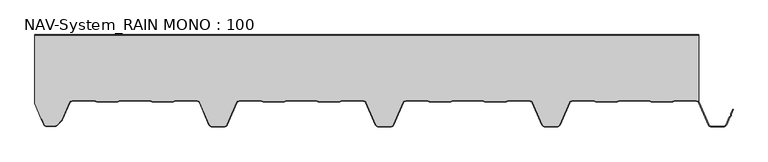
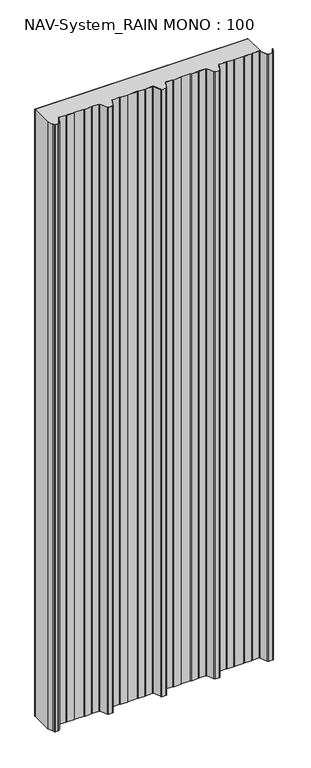
"""IFC4 building model written with IfcOpenShell, lengths in millimetres: plate geometry, NAV-System_RAIN MONO : 100."""

from ifc_helpers import new_model, si_unit, point, frame_2d, origin, origin_with_axes, place, context, project, spatial, polyline, circle_curve, trimmed, segment, composite_curve, outline, extrude, source, transform, mapped, element, save


def nav_system_rain_mono_100_1b4fae18(model_context):
    return source(origin(), model_context, "Body", "SweptSolid", [
        extrude(outline(polyline([(519.0, -0.8), (-478.0, -0.8), (-478.0, 0.0), (519.0, 0.0), (519.0, -0.8)])), origin_with_axes(), (0.0, 0.0, 1.0), 3000.0),
        extrude(outline(composite_curve([segment(trimmed(circle_curve(frame_2d((515.5898022, -104.0)), 4.8), [point((519.0, -100.6220493))], [point((515.5898022, -99.2))], True, "CARTESIAN"), True, "CONTINUOUS"), segment(polyline([(515.5898022, -99.2), (483.6922468, -99.2), (479.6508228, -100.7), (448.0723788, -100.6741102), (444.1768702, -99.2), (400.3589135, -99.2), (396.3174895, -100.7), (364.7390455, -100.6741102), (360.8435369, -99.2), (328.9416341, -99.2)]), True, "CONTINUOUS"), segment(trimmed(circle_curve(frame_2d((328.9416341, -104.0)), 4.8), [point((328.9416341, -99.2))], [point((324.5314363, -102.1052295))], True, "CARTESIAN"), True, "CONTINUOUS"), segment(polyline([(324.5314363, -102.1052295), (310.330878, -135.1579242)]), True, "CONTINUOUS"), segment(trimmed(circle_curve(frame_2d((306.4719549, -133.5)), 4.2), [point((310.330878, -135.1579242))], [point((306.4719549, -137.7))], False, "CARTESIAN"), True, "CONTINUOUS"), segment(polyline([(306.4719549, -137.7), (288.0594814, -137.7)]), True, "CONTINUOUS"), segment(trimmed(circle_curve(frame_2d((288.0594814, -133.5)), 4.2), [point((288.0594814, -137.7))], [point((284.2005583, -135.1579242))], False, "CARTESIAN"), True, "CONTINUOUS"), segment(polyline([(284.2005583, -135.1579242), (270.0, -102.1052295)]), True, "CONTINUOUS"), segment(trimmed(circle_curve(frame_2d((265.5898022, -104.0)), 4.8), [point((270.0, -102.1052295))], [point((265.5898022, -99.2))], True, "CARTESIAN"), True, "CONTINUOUS"), segment(polyline([(265.5898022, -99.2), (233.6922468, -99.2), (229.6508228, -100.7), (198.0723788, -100.6741102), (194.1768702, -99.2), (150.3589135, -99.2), (146.3174895, -100.7), (114.8074622, -100.7), (110.8435369, -99.2), (78.9416341, -99.2)]), True, "CONTINUOUS"), segment(trimmed(circle_curve(frame_2d((78.9416341, -104.0)), 4.8), [point((78.9416341, -99.2))], [point((74.5314363, -102.1052295))], True, "CARTESIAN"), True, "CONTINUOUS"), segment(polyline([(74.5314363, -102.1052295), (60.330878, -135.1579242)]), True, "CONTINUOUS"), segment(trimmed(circle_curve(frame_2d((56.4719549, -133.5)), 4.2), [point((60.330878, -135.1579242))], [point((56.4719549, -137.7))], False, "CARTESIAN"), True, "CONTINUOUS"), segment(polyline([(56.4719549, -137.7), (38.0594814, -137.7)]), True, "CONTINUOUS"), segment(trimmed(circle_curve(frame_2d((38.0594814, -133.5)), 4.2), [point((38.0594814, -137.7))], [point((34.2005583, -135.1579242))], False, "CARTESIAN"), True, "CONTINUOUS"), segment(polyline([(34.2005583, -135.1579242), (20.0, -102.1052295)]), True, "CONTINUOUS"), segment(trimmed(circle_curve(frame_2d((15.5898022, -104.0)), 4.8), [point((20.0, -102.1052295))], [point((15.5898022, -99.2))], True, "CARTESIAN"), True, "CONTINUOUS"), segment(polyline([(15.5898022, -99.2), (-16.3077532, -99.2), (-20.3491772, -100.7), (-51.9276212, -100.6741102), (-55.8231298, -99.2), (-99.6410865, -99.2), (-103.6825105, -100.7), (-135.1925378, -100.7), (-139.1564631, -99.2), (-171.0583659, -99.2)]), True, "CONTINUOUS"), segment(trimmed(circle_curve(frame_2d((-171.0583659, -104.0)), 4.8), [point((-171.0583659, -99.2))], [point((-175.4685637, -102.1052295))], True, "CARTESIAN"), True, "CONTINUOUS"), segment(polyline([(-175.4685637, -102.1052295), (-189.669122, -135.1579242)]), True, "CONTINUOUS"), segment(trimmed(circle_curve(frame_2d((-193.5280451, -133.5)), 4.2), [point((-189.669122, -135.1579242))], [point((-193.5280451, -137.7))], False, "CARTESIAN"), True, "CONTINUOUS"), segment(polyline([(-193.5280451, -137.7), (-211.9405186, -137.7)]), True, "CONTINUOUS"), segment(trimmed(circle_curve(frame_2d((-211.9405186, -133.5)), 4.2), [point((-211.9405186, -137.7))], [point((-215.7994417, -135.1579242))], False, "CARTESIAN"), True, "CONTINUOUS"), segment(polyline([(-215.7994417, -135.1579242), (-230.0, -102.1052295)]), True, "CONTINUOUS"), segment(trimmed(circle_curve(frame_2d((-234.4101978, -104.0)), 4.8), [point((-230.0, -102.1052295))], [point((-234.4101978, -99.2))], True, "CARTESIAN"), True, "CONTINUOUS"), segment(polyline([(-234.4101978, -99.2), (-266.3077532, -99.2), (-270.3491772, -100.7), (-301.9276212, -100.6741102), (-305.8231298, -99.2), (-349.6410865, -99.2), (-353.6825105, -100.7), (-385.1925378, -100.7), (-389.1564631, -99.2), (-421.9290751, -99.2)]), True, "CONTINUOUS"), segment(trimmed(circle_curve(frame_2d((-421.9290751, -104.0)), 4.8), [point((-421.9290751, -99.2))], [point((-426.3392729, -102.1052295))], True, "CARTESIAN"), True, "CONTINUOUS"), segment(polyline([(-426.3392729, -102.1052295), (-437.4245651, -127.9069459)]), True, "CONTINUOUS"), segment(trimmed(circle_curve(frame_2d((-441.2834882, -126.2490217)), 4.2), [point((-437.4245651, -127.9069459))], [point((-438.3136397, -129.2188701))], False, "CARTESIAN"), True, "CONTINUOUS"), segment(polyline([(-438.3136397, -129.2188701), (-444.764618, -135.6698485)]), True, "CONTINUOUS"), segment(trimmed(circle_curve(frame_2d((-447.7344665, -132.7)), 4.2), [point((-444.764618, -135.6698485))], [point((-447.7344665, -136.9))], False, "CARTESIAN"), True, "CONTINUOUS"), segment(polyline([(-447.7344665, -136.9), (-461.1405186, -136.9)]), True, "CONTINUOUS"), segment(trimmed(circle_curve(frame_2d((-461.1405186, -133.7)), 3.2), [point((-461.1405186, -136.9))], [point((-464.1022482, -134.9116756))], False, "CARTESIAN"), True, "CONTINUOUS"), segment(polyline([(-464.1022482, -134.9116756), (-467.6292254, -126.2905951), (-468.3696578, -126.593514), (-478.0, -103.053822), (-478.0, -0.8), (519.0, -0.8), (519.0, -100.6220493)]), True, "CONTINUOUS")], self_intersect=False)), origin_with_axes(), (0.0, 0.0, 1.0), 3000.0),
        extrude(outline(composite_curve([segment(polyline([(-464.8430228, -135.2145945), (-468.37, -126.593514), (-467.6295676, -126.2905951), (-464.1025904, -134.9116756)]), True, "CONTINUOUS"), segment(trimmed(circle_curve(frame_2d((-461.1408608, -133.7)), 3.2), [point((-464.1025904, -134.9116756))], [point((-461.1408608, -136.9))], True, "CARTESIAN"), True, "CONTINUOUS"), segment(polyline([(-461.1408608, -136.9), (-447.7348087, -136.9)]), True, "CONTINUOUS"), segment(trimmed(circle_curve(frame_2d((-447.7348087, -132.7)), 4.2), [point((-447.7348087, -136.9))], [point((-444.7649603, -135.6698485))], True, "CARTESIAN"), True, "CONTINUOUS"), segment(polyline([(-444.7649603, -135.6698485), (-438.3139819, -129.2188701)]), True, "CONTINUOUS"), segment(trimmed(circle_curve(frame_2d((-441.2838304, -126.2490217)), 4.2), [point((-438.3139819, -129.2188701))], [point((-437.4249073, -127.9069459))], True, "CARTESIAN"), True, "CONTINUOUS"), segment(polyline([(-437.4249073, -127.9069459), (-426.3396151, -102.1052295)]), True, "CONTINUOUS"), segment(trimmed(circle_curve(frame_2d((-421.9294173, -104.0)), 4.8), [point((-426.3396151, -102.1052295))], [point((-421.9294173, -99.2))], False, "CARTESIAN"), True, "CONTINUOUS"), segment(polyline([(-421.9294173, -99.2), (-389.1568054, -99.2), (-385.19288, -100.7), (-353.6828527, -100.7), (-349.6414287, -99.2), (-305.8234721, -99.2), (-301.9279634, -100.6741102), (-270.3495194, -100.7), (-266.3080954, -99.2), (-234.41054, -99.2)]), True, "CONTINUOUS"), segment(trimmed(circle_curve(frame_2d((-234.41054, -104.0)), 4.8), [point((-234.41054, -99.2))], [point((-230.0003422, -102.1052295))], False, "CARTESIAN"), True, "CONTINUOUS"), segment(polyline([(-230.0003422, -102.1052295), (-215.7997839, -135.1579242)]), True, "CONTINUOUS"), segment(trimmed(circle_curve(frame_2d((-211.9408608, -133.5)), 4.2), [point((-215.7997839, -135.1579242))], [point((-211.9408608, -137.7))], True, "CARTESIAN"), True, "CONTINUOUS"), segment(polyline([(-211.9408608, -137.7), (-193.5283873, -137.7)]), True, "CONTINUOUS"), segment(trimmed(circle_curve(frame_2d((-193.5283873, -133.5)), 4.2), [point((-193.5283873, -137.7))], [point((-189.6694642, -135.1579242))], True, "CARTESIAN"), True, "CONTINUOUS"), segment(polyline([(-189.6694642, -135.1579242), (-175.4689059, -102.1052295)]), True, "CONTINUOUS"), segment(trimmed(circle_curve(frame_2d((-171.0587081, -104.0)), 4.8), [point((-175.4689059, -102.1052295))], [point((-171.0587081, -99.2))], False, "CARTESIAN"), True, "CONTINUOUS"), segment(polyline([(-171.0587081, -99.2), (-139.1568054, -99.2), (-135.2612967, -100.6741102), (-103.6828527, -100.7), (-99.6414287, -99.2), (-55.8234721, -99.2), (-51.9279634, -100.6741102), (-20.3495194, -100.7), (-16.3080954, -99.2), (15.58946, -99.2)]), True, "CONTINUOUS"), segment(trimmed(circle_curve(frame_2d((15.58946, -104.0)), 4.8), [point((15.58946, -99.2))], [point((19.9996578, -102.1052295))], False, "CARTESIAN"), True, "CONTINUOUS"), segment(polyline([(19.9996578, -102.1052295), (34.2002161, -135.1579242)]), True, "CONTINUOUS"), segment(trimmed(circle_curve(frame_2d((38.0591392, -133.5)), 4.2), [point((34.2002161, -135.1579242))], [point((38.0591392, -137.7))], True, "CARTESIAN"), True, "CONTINUOUS"), segment(polyline([(38.0591392, -137.7), (56.4716127, -137.7)]), True, "CONTINUOUS"), segment(trimmed(circle_curve(frame_2d((56.4716127, -133.5)), 4.2), [point((56.4716127, -137.7))], [point((60.3305358, -135.1579242))], True, "CARTESIAN"), True, "CONTINUOUS"), segment(polyline([(60.3305358, -135.1579242), (74.5310941, -102.1052295)]), True, "CONTINUOUS"), segment(trimmed(circle_curve(frame_2d((78.9412919, -104.0)), 4.8), [point((74.5310941, -102.1052295))], [point((78.9412919, -99.2))], False, "CARTESIAN"), True, "CONTINUOUS"), segment(polyline([(78.9412919, -99.2), (110.8431946, -99.2), (114.7387033, -100.6741102), (146.3171473, -100.7), (150.3585713, -99.2), (194.1765279, -99.2), (198.0720366, -100.6741102), (229.6504806, -100.7), (233.6919046, -99.2), (265.58946, -99.2)]), True, "CONTINUOUS"), segment(trimmed(circle_curve(frame_2d((265.58946, -104.0)), 4.8), [point((265.58946, -99.2))], [point((269.9996578, -102.1052295))], False, "CARTESIAN"), True, "CONTINUOUS"), segment(polyline([(269.9996578, -102.1052295), (284.2002161, -135.1579242)]), True, "CONTINUOUS"), segment(trimmed(circle_curve(frame_2d((288.0591392, -133.5)), 4.2), [point((284.2002161, -135.1579242))], [point((288.0591392, -137.7))], True, "CARTESIAN"), True, "CONTINUOUS"), segment(polyline([(288.0591392, -137.7), (306.4716127, -137.7)]), True, "CONTINUOUS"), segment(trimmed(circle_curve(frame_2d((306.4716127, -133.5)), 4.2), [point((306.4716127, -137.7))], [point((310.3305358, -135.1579242))], True, "CARTESIAN"), True, "CONTINUOUS"), segment(polyline([(310.3305358, -135.1579242), (324.5310941, -102.1052295)]), True, "CONTINUOUS"), segment(trimmed(circle_curve(frame_2d((328.9412919, -104.0)), 4.8), [point((324.5310941, -102.1052295))], [point((328.9412919, -99.2))], False, "CARTESIAN"), True, "CONTINUOUS"), segment(polyline([(328.9412919, -99.2), (360.8431946, -99.2), (364.7387033, -100.6741102), (396.3171473, -100.7), (400.3585713, -99.2), (444.1765279, -99.2), (448.0720366, -100.6741102), (479.6504806, -100.7), (483.6919046, -99.2), (515.58946, -99.2)]), True, "CONTINUOUS"), segment(trimmed(circle_curve(frame_2d((515.58946, -104.0)), 4.8), [point((515.58946, -99.2))], [point((519.9996578, -102.1052295))], False, "CARTESIAN"), True, "CONTINUOUS"), segment(polyline([(519.9996578, -102.1052295), (534.2002161, -135.1579242)]), True, "CONTINUOUS"), segment(trimmed(circle_curve(frame_2d((538.0591392, -133.5)), 4.2), [point((534.2002161, -135.1579242))], [point((538.0591392, -137.7))], True, "CARTESIAN"), True, "CONTINUOUS"), segment(polyline([(538.0591392, -137.7), (556.4716127, -137.7)]), True, "CONTINUOUS"), segment(trimmed(circle_curve(frame_2d((556.4716127, -133.5)), 4.2), [point((556.4716127, -137.7))], [point((560.3305358, -135.1579242))], True, "CARTESIAN"), True, "CONTINUOUS"), segment(polyline([(560.3305358, -135.1579242), (565.2356202, -123.741031), (567.1121268, -122.0654564), (567.0358547, -119.5508717), (570.0831709, -112.458051), (570.8182039, -112.7738461), (567.8408612, -119.703799), (567.9230626, -122.4138642), (565.9006789, -124.2196957), (561.0655687, -135.4737193)]), True, "CONTINUOUS"), segment(trimmed(circle_curve(frame_2d((556.4716127, -133.5)), 5.0), [point((561.0655687, -135.4737193))], [point((556.4716127, -138.5))], False, "CARTESIAN"), True, "CONTINUOUS"), segment(polyline([(556.4716127, -138.5), (538.0591392, -138.5)]), True, "CONTINUOUS"), segment(trimmed(circle_curve(frame_2d((538.0591392, -133.5)), 5.0), [point((538.0591392, -138.5))], [point((533.4651831, -135.4737193))], False, "CARTESIAN"), True, "CONTINUOUS"), segment(polyline([(533.4651831, -135.4737193), (519.2646248, -102.4210246)]), True, "CONTINUOUS"), segment(trimmed(circle_curve(frame_2d((515.58946, -104.0)), 4.0), [point((519.2646248, -102.4210246))], [point((515.58946, -100.0))], True, "CARTESIAN"), True, "CONTINUOUS"), segment(polyline([(515.58946, -100.0), (483.8338601, -100.0), (479.8699347, -101.5), (447.9941505, -101.5), (444.0302251, -100.0), (400.5005268, -100.0), (396.5366014, -101.5), (364.6608172, -101.5), (360.6968918, -100.0), (328.9412919, -100.0)]), True, "CONTINUOUS"), segment(trimmed(circle_curve(frame_2d((328.9412919, -104.0)), 4.0), [point((328.9412919, -100.0))], [point((325.2661271, -102.4210246))], True, "CARTESIAN"), True, "CONTINUOUS"), segment(polyline([(325.2661271, -102.4210246), (311.0655687, -135.4737193)]), True, "CONTINUOUS"), segment(trimmed(circle_curve(frame_2d((306.4716127, -133.5)), 5.0), [point((311.0655687, -135.4737193))], [point((306.4716127, -138.5))], False, "CARTESIAN"), True, "CONTINUOUS"), segment(polyline([(306.4716127, -138.5), (288.0591392, -138.5)]), True, "CONTINUOUS"), segment(trimmed(circle_curve(frame_2d((288.0591392, -133.5)), 5.0), [point((288.0591392, -138.5))], [point((283.4651831, -135.4737193))], False, "CARTESIAN"), True, "CONTINUOUS"), segment(polyline([(283.4651831, -135.4737193), (269.2646248, -102.4210246)]), True, "CONTINUOUS"), segment(trimmed(circle_curve(frame_2d((265.58946, -104.0)), 4.0), [point((269.2646248, -102.4210246))], [point((265.58946, -100.0))], True, "CARTESIAN"), True, "CONTINUOUS"), segment(polyline([(265.58946, -100.0), (233.8338601, -100.0), (229.8699347, -101.5), (197.9941505, -101.5), (194.0302251, -100.0), (150.5005268, -100.0), (146.5366014, -101.5), (114.6608172, -101.5), (110.6968918, -100.0), (78.9412919, -100.0)]), True, "CONTINUOUS"), segment(trimmed(circle_curve(frame_2d((78.9412919, -104.0)), 4.0), [point((78.9412919, -100.0))], [point((75.2661271, -102.4210246))], True, "CARTESIAN"), True, "CONTINUOUS"), segment(polyline([(75.2661271, -102.4210246), (61.0655687, -135.4737193)]), True, "CONTINUOUS"), segment(trimmed(circle_curve(frame_2d((56.4716127, -133.5)), 5.0), [point((61.0655687, -135.4737193))], [point((56.4716127, -138.5))], False, "CARTESIAN"), True, "CONTINUOUS"), segment(polyline([(56.4716127, -138.5), (38.0591392, -138.5)]), True, "CONTINUOUS"), segment(trimmed(circle_curve(frame_2d((38.0591392, -133.5)), 5.0), [point((38.0591392, -138.5))], [point((33.4651831, -135.4737193))], False, "CARTESIAN"), True, "CONTINUOUS"), segment(polyline([(33.4651831, -135.4737193), (19.2646248, -102.4210246)]), True, "CONTINUOUS"), segment(trimmed(circle_curve(frame_2d((15.58946, -104.0)), 4.0), [point((19.2646248, -102.4210246))], [point((15.58946, -100.0))], True, "CARTESIAN"), True, "CONTINUOUS"), segment(polyline([(15.58946, -100.0), (-16.1661399, -100.0), (-20.1300653, -101.5), (-52.0058495, -101.5), (-55.9697749, -100.0), (-99.4994732, -100.0), (-103.4633986, -101.5), (-135.3391828, -101.5), (-139.3031082, -100.0), (-171.0587081, -100.0)]), True, "CONTINUOUS"), segment(trimmed(circle_curve(frame_2d((-171.0587081, -104.0)), 4.0), [point((-171.0587081, -100.0))], [point((-174.7338729, -102.4210246))], True, "CARTESIAN"), True, "CONTINUOUS"), segment(polyline([(-174.7338729, -102.4210246), (-188.9344313, -135.4737193)]), True, "CONTINUOUS"), segment(trimmed(circle_curve(frame_2d((-193.5283873, -133.5)), 5.0), [point((-188.9344313, -135.4737193))], [point((-193.5283873, -138.5))], False, "CARTESIAN"), True, "CONTINUOUS"), segment(polyline([(-193.5283873, -138.5), (-211.9408608, -138.5)]), True, "CONTINUOUS"), segment(trimmed(circle_curve(frame_2d((-211.9408608, -133.5)), 5.0), [point((-211.9408608, -138.5))], [point((-216.5348169, -135.4737193))], False, "CARTESIAN"), True, "CONTINUOUS"), segment(polyline([(-216.5348169, -135.4737193), (-230.7353752, -102.4210246)]), True, "CONTINUOUS"), segment(trimmed(circle_curve(frame_2d((-234.41054, -104.0)), 4.0), [point((-230.7353752, -102.4210246))], [point((-234.41054, -100.0))], True, "CARTESIAN"), True, "CONTINUOUS"), segment(polyline([(-234.41054, -100.0), (-266.1661399, -100.0), (-270.1300653, -101.5), (-302.0058495, -101.5), (-305.9697749, -100.0), (-349.4994732, -100.0), (-353.4633986, -101.5), (-385.3391828, -101.5), (-389.3031082, -100.0), (-421.9294173, -100.0)]), True, "CONTINUOUS"), segment(trimmed(circle_curve(frame_2d((-421.9294173, -104.0)), 4.0), [point((-421.9294173, -100.0))], [point((-425.6045822, -102.4210246))], True, "CARTESIAN"), True, "CONTINUOUS"), segment(polyline([(-425.6045822, -102.4210246), (-436.6898744, -128.2227409)]), True, "CONTINUOUS"), segment(trimmed(circle_curve(frame_2d((-441.2838304, -126.2490217)), 5.0), [point((-436.6898744, -128.2227409))], [point((-437.7482965, -129.7845556))], False, "CARTESIAN"), True, "CONTINUOUS"), segment(polyline([(-437.7482965, -129.7845556), (-444.1992748, -136.2355339)]), True, "CONTINUOUS"), segment(trimmed(circle_curve(frame_2d((-447.7348087, -132.7)), 5.0), [point((-444.1992748, -136.2355339))], [point((-447.7348087, -137.7))], False, "CARTESIAN"), True, "CONTINUOUS"), segment(polyline([(-447.7348087, -137.7), (-461.1408608, -137.7)]), True, "CONTINUOUS"), segment(trimmed(circle_curve(frame_2d((-461.1408608, -133.7)), 4.0), [point((-461.1408608, -137.7))], [point((-464.8430228, -135.2145945))], False, "CARTESIAN"), True, "CONTINUOUS")], self_intersect=False)), origin_with_axes(), (0.0, 0.0, 1.0), 3000.0),
    ])


if __name__ == "__main__":
    model = new_model("IFC4")
    model_context = context("Model", 3, world=origin())
    ifc_project = project(units=[si_unit("LENGTHUNIT", "METRE", prefix="MILLI")], contexts=[model_context])
    site = spatial("IfcSite", under=ifc_project)
    building = spatial("IfcBuilding", under=site)
    placement = place(None, origin())
    nav_system_rain_mono_100_shape = nav_system_rain_mono_100_1b4fae18(model_context)
    element("IfcPlate", 1, ObjectType="NAV-System_RAIN MONO : 100", at=placement, inside=building, context=model_context, shape_type="MappedRepresentation", body=[
        mapped(nav_system_rain_mono_100_shape, transform((0.0, 0.0, 0.0), x_axis=(1.0, 0.0, 0.0), y_axis=(0.0, 1.0, 0.0), z_axis=(0.0, 0.0, 1.0))),
    ])
    save(model, "model.ifc")
